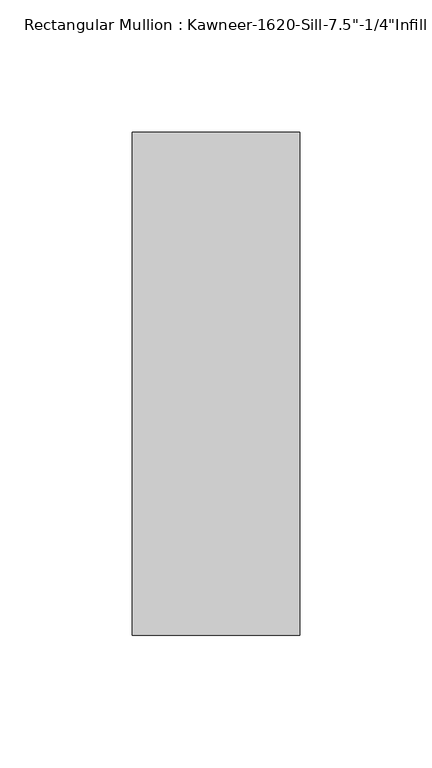
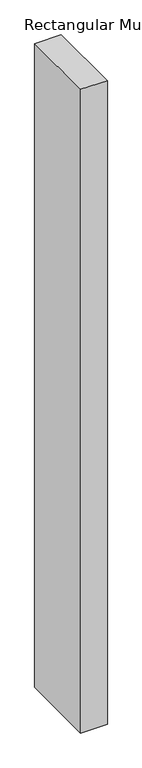
"""IFC4 building model written with IfcOpenShell, lengths in millimetres: member geometry."""

from ifc_helpers import new_model, si_unit, frame, origin, place, context, project, spatial, polyline, outline, extrude, source, transform, mapped, element, save


def member_5ca1b32c(model_context):
    return source(origin(), model_context, "Body", "SweptSolid", [
        extrude(outline(polyline([(-63.5, 28.575), (0.0, 28.575), (0.0, -161.925), (-63.5, -161.925), (-63.5, 28.575)])), frame((0.0, 0.0, -1625.6), z_axis=(0.0, 0.0, 1.0), x_axis=(1.0, 0.0, 0.0)), (0.0, 0.0, 1.0), 1625.6),
    ])


if __name__ == "__main__":
    model = new_model("IFC4")
    model_context = context("Model", 3, world=origin())
    ifc_project = project(units=[si_unit("LENGTHUNIT", "METRE", prefix="MILLI")], contexts=[model_context])
    site = spatial("IfcSite", under=ifc_project)
    building = spatial("IfcBuilding", under=site)
    placement = place(None, origin())
    member_shape = member_5ca1b32c(model_context)
    element("IfcMember", 1, ObjectType="Rectangular Mullion : Kawneer-1620-Sill-7.5\"-1/4\"Infill", at=placement, inside=building, context=model_context, shape_type="MappedRepresentation", body=[
        mapped(member_shape, transform((0.0, 0.0, 0.0), x_axis=(1.0, 0.0, 0.0), y_axis=(0.0, 1.0, 0.0), z_axis=(0.0, 0.0, 1.0))),
    ])
    save(model, "model.ifc")
